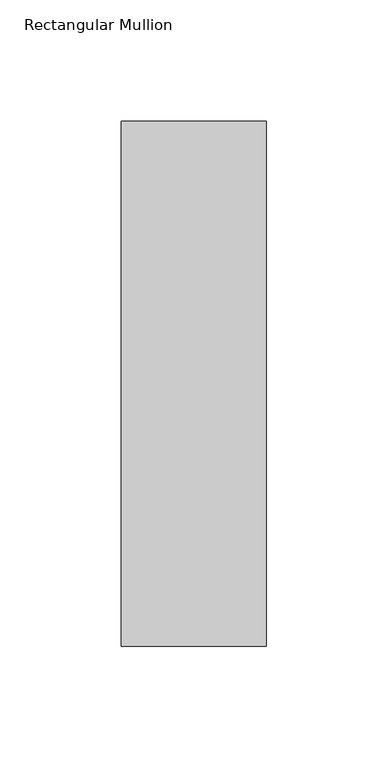
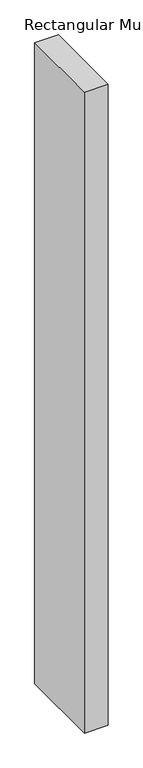
"""IFC4 building model written with IfcOpenShell, lengths in millimetres: member geometry, Rectangular Mullion."""

from ifc_helpers import new_model, si_unit, frame, origin, place, context, project, spatial, polyline, outline, extrude, source, transform, mapped, element, save


def rectangular_mullion_62c8e342(model_context):
    return source(origin(), model_context, "Body", "SweptSolid", [
        extrude(outline(polyline([(30.0, 173.875), (30.0, -42.875), (-30.0, -42.875), (-30.0, 173.875), (30.0, 173.875)])), frame((0.0, 0.0, -1708.8912252), z_axis=(0.0, 0.0, 1.0), x_axis=(1.0, 0.0, 0.0)), (0.0, 0.0, 1.0), 1708.8912252),
    ])


if __name__ == "__main__":
    model = new_model("IFC4")
    model_context = context("Model", 3, world=origin())
    ifc_project = project(units=[si_unit("LENGTHUNIT", "METRE", prefix="MILLI")], contexts=[model_context])
    site = spatial("IfcSite", under=ifc_project)
    building = spatial("IfcBuilding", under=site)
    placement = place(None, origin())
    rectangular_mullion_shape = rectangular_mullion_62c8e342(model_context)
    element("IfcMember", 1, ObjectType="Rectangular Mullion", at=placement, inside=building, context=model_context, shape_type="MappedRepresentation", body=[
        mapped(rectangular_mullion_shape, transform((0.0, 0.0, 0.0), x_axis=(1.0, 0.0, 0.0), y_axis=(0.0, 1.0, 0.0), z_axis=(0.0, 0.0, 1.0))),
    ])
    save(model, "model.ifc")
